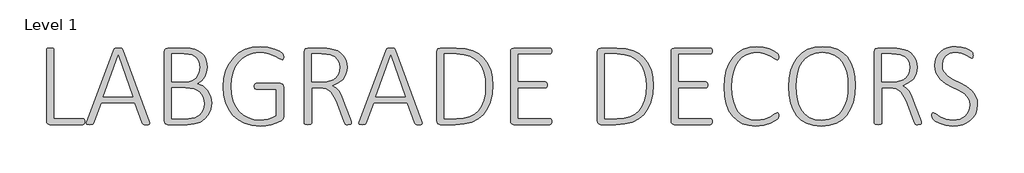
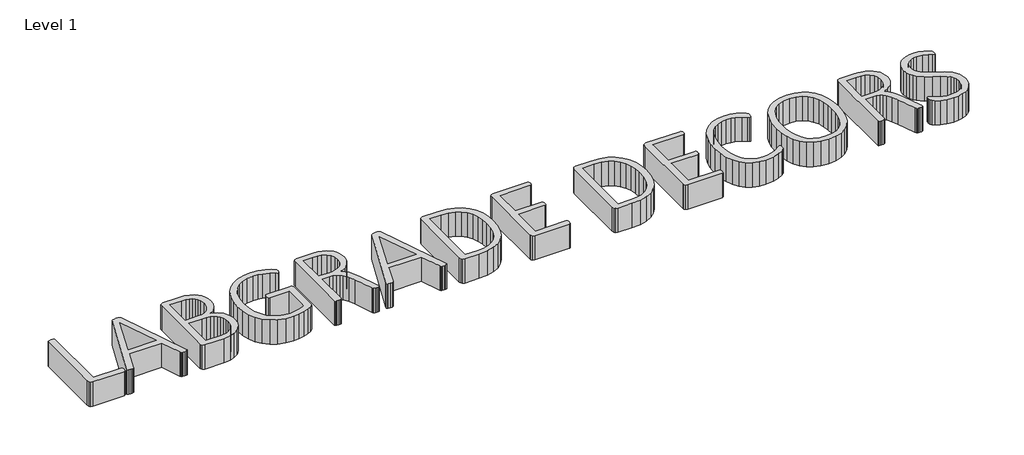
# One storey, part 3 of 3: 1 proxy.
"""IFC4 building model written with IfcOpenShell, lengths in millimetres."""

import ifcopenshell
import ifcopenshell.guid

model = None  # the IFC model being written
_history = None  # IfcOwnerHistory: only IFC2X3 demands one
_inside = {}  # id of a spatial element -> (the spatial element, [elements in it])
_under = {}  # id of a project, library or spatial element -> (it, [spatial elements below it])
_declared = {}  # id of a project -> (the project, [libraries it declares])
_typed = {}  # id of a type object -> (the type object, [elements of that type])
_made_of = {}  # id of a material, layer set ... -> (it, [elements and type objects made of it])


def new_model(schema):
    """Start an empty IFC model of exactly this schema.

    Asked for "IFC4X3", IfcOpenShell would pick the latest addendum, in which some entities
    have other attributes; the version numbers below select the first issue.
    IFC2X3 requires an IfcOwnerHistory on every rooted entity: one is made here for all.
    """
    global model, _history
    if schema == "IFC4X3":
        model = ifcopenshell.file(schema_version=(4, 3, 0, 0))
    else:
        model = ifcopenshell.file(schema=schema)
    _inside.clear()
    _under.clear()
    _declared.clear()
    _typed.clear()
    _made_of.clear()
    _history = None
    if model.schema == "IFC2X3":
        org = make("IfcOrganization", Name="unknown")
        user = make(
            "IfcPersonAndOrganization",
            ThePerson=make("IfcPerson", FamilyName="unknown"),
            TheOrganization=org,
        )
        app = make(
            "IfcApplication",
            ApplicationDeveloper=org,
            Version="unknown",
            ApplicationFullName="unknown",
            ApplicationIdentifier="unknown",
        )
        _history = make(
            "IfcOwnerHistory",
            OwningUser=user,
            OwningApplication=app,
            ChangeAction="ADDED",
            CreationDate=0,
        )
    return model


def make(cls, **values):
    """One entity of the class cls with the attributes given. An attribute that is None is left unset."""
    return model.create_entity(
        cls, **{name: value for name, value in values.items() if value is not None}
    )


def rooted(cls, **values):
    """An entity with a GlobalId (a new one), such as an element, a storey or a relation."""
    return make(cls, GlobalId=ifcopenshell.guid.new(), OwnerHistory=_history, **values)


def si_unit(unit_type, name, prefix=None):
    """IfcSIUnit, for example si_unit("LENGTHUNIT", "METRE", prefix="MILLI")."""
    return make("IfcSIUnit", UnitType=unit_type, Prefix=prefix, Name=name)


def assignment(units):
    """IfcUnitAssignment: the units of a project."""
    return None if units is None else make("IfcUnitAssignment", Units=units)


def point(xyz):
    """IfcCartesianPoint."""
    return None if xyz is None else make("IfcCartesianPoint", Coordinates=xyz)


def direction(xyz):
    """IfcDirection."""
    return None if xyz is None else make("IfcDirection", DirectionRatios=xyz)


def frame(location, z_axis=None, x_axis=None):
    """IfcAxis2Placement3D, a coordinate frame: its origin and axes. An axis left out is left unset."""
    return make(
        "IfcAxis2Placement3D",
        Location=point(location),
        Axis=direction(z_axis),
        RefDirection=direction(x_axis),
    )


def origin():
    """The frame at (0, 0, 0) with its axes left unset."""
    return frame((0.0, 0.0, 0.0))


def origin_with_axes():
    """The frame at (0, 0, 0) with the z axis (0, 0, 1) and the x axis (1, 0, 0) written out."""
    return frame((0.0, 0.0, 0.0), z_axis=(0.0, 0.0, 1.0), x_axis=(1.0, 0.0, 0.0))


def place(relative_to, where):
    """IfcLocalPlacement: puts the frame where relative to a parent placement (None: the world)."""
    return make(
        "IfcLocalPlacement", PlacementRelTo=relative_to, RelativePlacement=where
    )


def context(
    kind, dimensions, precision=None, world=None, true_north=None, identifier=None
):
    """IfcGeometricRepresentationContext, for example the 3D "Model" context."""
    return make(
        "IfcGeometricRepresentationContext",
        ContextIdentifier=identifier,
        ContextType=kind,
        CoordinateSpaceDimension=dimensions,
        Precision=precision,
        WorldCoordinateSystem=world,
        TrueNorth=true_north,
    )


def project(units=None, contexts=None):
    """IfcProject with its units and contexts."""
    return rooted(
        "IfcProject",
        Name="project",
        RepresentationContexts=contexts,
        UnitsInContext=assignment(units),
    )


def spatial(cls, under=None, at=None, **own):
    """A site, building, storey or space (cls), placed at a placement, below another one or the project."""
    s = rooted(cls, ObjectPlacement=at, **own)
    if under is not None:
        _under.setdefault(under.id(), (under, []))[1].append(s)
    return s


def polyline(points):
    """IfcPolyline through the points."""
    return make("IfcPolyline", Points=[point(p) for p in points])


def outline(outer, holes=None, kind="AREA"):
    """IfcArbitraryClosedProfileDef: a profile drawn as a closed curve; with holes, ...WithVoids."""
    if holes is None:
        return make("IfcArbitraryClosedProfileDef", ProfileType=kind, OuterCurve=outer)
    return make(
        "IfcArbitraryProfileDefWithVoids",
        ProfileType=kind,
        OuterCurve=outer,
        InnerCurves=holes,
    )


def extrude(swept, where, along, depth):
    """IfcExtrudedAreaSolid: the profile swept, set in the frame where, extruded along a direction by depth."""
    return make(
        "IfcExtrudedAreaSolid",
        SweptArea=swept,
        Position=where,
        ExtrudedDirection=direction(along),
        Depth=depth,
    )


def shape(context_of_items, identifier, shape_type, items):
    """IfcShapeRepresentation: the items that make up one representation, for example the "Body"."""
    return make(
        "IfcShapeRepresentation",
        ContextOfItems=context_of_items,
        RepresentationIdentifier=identifier,
        RepresentationType=shape_type,
        Items=items,
    )


def made_of(thing, what):
    """Note that an element or type object is made of a material, layer set ...; save() writes the relation."""
    if what is not None:
        _made_of.setdefault(what.id(), (what, []))[1].append(thing)
    return thing


def element(
    cls,
    number,
    at=None,
    inside=None,
    cuts=None,
    type_object=None,
    material=None,
    context=None,
    identifier="Body",
    shape_type=None,
    held_by="IfcProductDefinitionShape",
    body=None,
    shapes=None,
    **own,
):
    """One element of the class cls, such as IfcWall. Its Tag is "e" and its number.

    at: its placement. inside: the storey or other place that contains it. cuts: it is an
    opening in that element (IfcRelVoidsElement). A single representation is given by context,
    identifier, shape_type and body (its items); several are given by shapes. held_by: the class
    of the entity that holds the representations. save() writes the other relations.
    """
    e = rooted(cls, Tag="e%d" % number, ObjectPlacement=at, **own)
    if body is not None:
        shapes = [shape(context, identifier, shape_type, body)]
    if shapes is not None:
        e.Representation = make(held_by, Representations=shapes)
    if inside is not None:
        _inside.setdefault(inside.id(), (inside, []))[1].append(e)
    if cuts is not None:
        rooted(
            "IfcRelVoidsElement", RelatingBuildingElement=cuts, RelatedOpeningElement=e
        )
    if type_object is not None:
        _typed.setdefault(type_object.id(), (type_object, []))[1].append(e)
    return made_of(e, material)


def aggregate(whole, parts):
    """IfcRelAggregates: a whole, such as a stair, and the parts it consists of."""
    return rooted("IfcRelAggregates", RelatingObject=whole, RelatedObjects=parts)


def save(model, path):
    """Write the relations noted so far, then the file.

    IfcRelAggregates (storeys below a building ...), IfcRelContainedInSpatialStructure (elements
    in a storey), IfcRelDefinesByType, IfcRelAssociatesMaterial and IfcRelDeclares: one each for
    every whole, place, type object, material and project.
    """
    for whole, parts in _under.values():
        aggregate(whole, parts)
    for where, things in _inside.values():
        rooted(
            "IfcRelContainedInSpatialStructure",
            RelatedElements=things,
            RelatingStructure=where,
        )
    for kind, things in _typed.values():
        rooted("IfcRelDefinesByType", RelatedObjects=things, RelatingType=kind)
    for what, things in _made_of.values():
        rooted("IfcRelAssociatesMaterial", RelatedObjects=things, RelatingMaterial=what)
    for by, libraries in _declared.values():
        rooted("IfcRelDeclares", RelatingContext=by, RelatedDefinitions=libraries)
    model.write(path)


model = new_model("IFC4")

# Units and contexts
model_context = context("Model", 3, world=origin())
ifc_project = project(units=[si_unit("LENGTHUNIT", "METRE", prefix="MILLI")], contexts=[model_context])

# Site, building, storey
site = spatial("IfcSite", under=ifc_project)
building = spatial("IfcBuilding", under=site)
storey = spatial("IfcBuildingStorey", under=building, Name="Level 1", Elevation=0.0)

# Proxy
placement = place(None, origin())
element("IfcBuildingElementProxy", 1, Name="Generic Models", at=placement, inside=storey, context=model_context, shape_type="SweptSolid", body=[
    extrude(outline(polyline([(-3438.4405466, 4255.4238083), (-3439.0809154, 4248.3797509), (-3441.0660589, 4243.1927632), (-3444.3959769, 4239.9268821), (-3448.9425958, 4238.9022919), (-3633.1126777, 4238.9022919), (-3645.3437228, 4243.320837), (-3650.0024062, 4249.5804425), (-3651.5553007, 4259.522169), (-3651.5553007, 4656.5508575), (-3650.5307105, 4660.20096), (-3647.2007925, 4662.8264722), (-3640.8611408, 4664.4914313), (-3631.0634974, 4665.1318001), (-3621.1377802, 4664.4914313), (-3614.9262023, 4662.8264722), (-3611.5962843, 4660.1369231), (-3610.5716941, 4656.5508575), (-3610.5716941, 4271.6891772), (-3448.9425958, 4271.6891772), (-3444.33194, 4270.664587), (-3441.0660589, 4267.7188903), (-3439.0809154, 4262.6599763), (-3438.4405466, 4255.4238083)])), origin_with_axes(), (0.0, 0.0, 1.0), 150.0),
    extrude(outline(polyline([(-3079.3216941, 4254.3992181), (-3077.5926982, 4246.3946075), (-3079.7699523, 4241.5918411), (-3085.9815302, 4239.414587), (-3096.7397269, 4238.9022919), (-3107.0496654, 4239.414587), (-3113.1331695, 4240.8874354), (-3116.3990507, 4243.5129477), (-3118.3841941, 4247.4832345), (-3159.4958744, 4361.8531116), (-3348.4046859, 4361.8531116), (-3389.5163663, 4248.1236034), (-3391.3734359, 4244.1533165), (-3394.8314277, 4241.3356936), (-3400.9789687, 4239.5426608), (-3410.7766122, 4238.9022919), (-3421.7909564, 4239.5426608), (-3428.1946449, 4241.8479886), (-3430.371899, 4246.5226813), (-3428.4507925, 4254.3992181), (-3277.3237433, 4656.807005), (-3274.3780466, 4660.8413288), (-3269.3191326, 4663.3387673), (-3261.7627802, 4664.6835419), (-3251.7089892, 4665.1318001), (-3241.3990507, 4664.6835419), (-3233.9067351, 4663.3387673), (-3229.0399318, 4660.8413288), (-3226.2223089, 4656.807005), (-3079.3216941, 4254.3992181)]), holes=[polyline([(-3253.7581695, 4624.1481936), (-3336.621899, 4394.6399968), (-3171.2786613, 4394.6399968), (-3253.7581695, 4624.1481936)])]), origin_with_axes(), (0.0, 0.0, 1.0), 150.0),
    extrude(outline(polyline([(-2733.5225138, 4358.6512673), (-2737.9410589, 4323.6230911), (-2750.4282515, 4294.1661239), (-2770.215649, 4270.664587), (-2796.7269195, 4253.3105911), (-2828.7453622, 4242.5523944), (-2868.7684154, 4238.9022919), (-2977.6311204, 4238.9022919), (-2989.6700548, 4243.320837), (-2994.2807105, 4249.612461), (-2995.8175958, 4259.6502427), (-2995.8175958, 4644.3838493), (-2994.2486921, 4654.4216311), (-2989.541981, 4660.713255), (-2977.3749728, 4665.1318001), (-2886.0583744, 4665.1318001), (-2852.4390097, 4663.242712), (-2825.8637023, 4657.5754477), (-2804.8435947, 4648.4341823), (-2787.8898294, 4636.1230911), (-2774.842314, 4620.7382294), (-2765.5409564, 4602.3756526), (-2759.9697474, 4581.4355911), (-2758.1126777, 4558.3182755), (-2761.5706695, 4529.4376403), (-2771.9446449, 4503.8869231), (-2789.234604, 4482.5626403), (-2813.6966941, 4466.4893821), (-2782.6388048, 4454.0662263), (-2757.1521244, 4431.0769845), (-2739.8621654, 4398.8023944), (-2735.1074267, 4379.5753196), (-2733.5225138, 4358.6512673)]), holes=[polyline([(-2799.0962843, 4556.7813903), (-2803.70694, 4587.9033165), (-2809.6943888, 4600.8387673), (-2818.4354236, 4611.7250378), (-2830.0741275, 4620.4660727), (-2844.7545835, 4626.9658165), (-2863.6614738, 4631.0001403), (-2887.979481, 4632.3449149), (-2954.8339892, 4632.3449149), (-2954.8339892, 4476.60721), (-2881.4477187, 4476.60721), (-2859.5791224, 4478.2401505), (-2842.3852187, 4483.1389722), (-2828.8414175, 4490.8073893), (-2817.9231285, 4500.7491157), (-2803.70694, 4526.4279067), (-2799.0962843, 4556.7813903)]), polyline([(-2774.5061204, 4354.5529067), (-2776.1710794, 4375.0607192), (-2781.1659564, 4393.0390747), (-2789.3626777, 4408.3919179), (-2800.6331695, 4421.0231936), (-2814.9614226, 4430.9168923), (-2832.3314277, 4438.057005), (-2853.4796091, 4442.3794948), (-2879.1423908, 4443.8203247), (-2954.8339892, 4443.8203247), (-2954.8339892, 4271.6891772), (-2863.2612433, 4271.6891772), (-2827.5926982, 4277.0042386), (-2800.3129851, 4292.6932755), (-2789.6828622, 4304.3479886), (-2781.4861408, 4318.5641772), (-2776.2511255, 4335.3098227), (-2774.5061204, 4354.5529067)])]), origin_with_axes(), (0.0, 0.0, 1.0), 150.0),
    extrude(outline(polyline([(-2331.8831695, 4617.6164313), (-2332.5235384, 4610.1881526), (-2334.3165712, 4604.4248329), (-2337.3263048, 4600.8387673), (-2341.104481, 4599.5580296), (-2354.1680056, 4606.025755), (-2378.502022, 4620.0498329), (-2415.3872679, 4634.0739108), (-2439.0809154, 4638.9247048), (-2466.8729236, 4640.5416362), (-2502.8456439, 4636.9075429), (-2534.6879851, 4626.0052632), (-2562.1437997, 4608.7953503), (-2584.95694, 4586.2383575), (-2603.0153417, 4558.63846), (-2616.20694, 4526.2998329), (-2624.2755876, 4490.279085), (-2626.9651367, 4451.6328247), (-2623.8913663, 4409.3524712), (-2614.6700548, 4371.9069026), (-2600.0216173, 4339.6163032), (-2580.6664687, 4312.8008575), (-2556.8767658, 4291.5886393), (-2528.9246654, 4276.1077222), (-2497.5305824, 4266.6462725), (-2463.4149318, 4263.4924559), (-2416.98819, 4269.5119231), (-2394.2070681, 4277.100294), (-2372.8667761, 4287.8264722), (-2372.8667761, 4435.6236034), (-2484.9313253, 4435.6236034), (-2493.1280466, 4439.8500378), (-2495.8175958, 4451.8889722), (-2495.11319, 4459.253214), (-2493.0640097, 4464.3761649), (-2489.7340917, 4467.3858985), (-2484.9313253, 4468.4104886), (-2350.8380876, 4468.4104886), (-2344.3703622, 4467.3858985), (-2338.0947474, 4464.0559804), (-2333.5481285, 4457.5242181), (-2331.8831695, 4447.2783165), (-2331.8831695, 4285.7772919), (-2334.3806081, 4272.0093616), (-2345.7791736, 4261.1230911), (-2369.4728212, 4249.7245255), (-2400.0824523, 4239.2865132), (-2431.9087843, 4232.8828247), (-2463.2868581, 4230.7055706), (-2509.2013048, 4234.6758575), (-2549.8647269, 4246.5867181), (-2584.9409308, 4265.7337468), (-2614.0937228, 4291.4125378), (-2637.1950292, 4323.0947868), (-2654.1167761, 4360.2521895), (-2664.4907515, 4402.2123585), (-2667.9487433, 4448.3029067), (-2664.2185947, 4496.5546997), (-2653.028149, 4540.3879477), (-2635.0658027, 4578.970171), (-2611.0199523, 4611.4688903), (-2581.2748191, 4637.6119487), (-2546.2146244, 4657.1271895), (-2506.4957464, 4669.2781884), (-2462.774563, 4673.3285214), (-2419.3575548, 4669.2301608), (-2382.408272, 4659.3684804), (-2354.48819, 4646.8812878), (-2338.9272269, 4636.2511649), (-2333.3560179, 4628.5667386), (-2331.8831695, 4617.6164313)])), origin_with_axes(), (0.0, 0.0, 1.0), 150.0),
    extrude(outline(polyline([(-1954.8339892, 4248.2516772), (-1955.6024318, 4244.2813903), (-1958.5481285, 4241.3997304), (-1964.5675958, 4239.5426608), (-1974.3012023, 4238.9022919), (-1983.0102187, 4239.414587), (-1989.0296859, 4241.4637673), (-1992.9999728, 4245.4980911), (-1995.8175958, 4251.9658165), (-2035.1362433, 4357.6266772), (-2049.7366531, 4391.3741157), (-2068.5634974, 4418.7819026), (-2080.7305056, 4429.155878), (-2095.2028417, 4437.0964518), (-2112.3647269, 4442.1393565), (-2132.6003826, 4443.8203247), (-2176.1454646, 4443.8203247), (-2176.1454646, 4247.6113083), (-2177.1700548, 4243.9612059), (-2180.4999728, 4241.2716567), (-2186.7115507, 4239.6066977), (-2196.6372679, 4238.9022919), (-2206.4349113, 4239.5426608), (-2212.774563, 4241.2076198), (-2216.104481, 4243.8331321), (-2217.1290712, 4247.4832345), (-2217.1290712, 4644.5119231), (-2215.5761767, 4654.4536495), (-2210.9174933, 4660.713255), (-2198.814522, 4665.1318001), (-2119.4087843, 4665.1318001), (-2093.345772, 4664.2993206), (-2074.5829646, 4662.1861034), (-2051.9299165, 4656.7749866), (-2032.3826572, 4648.7383575), (-2015.9411869, 4638.3163544), (-2002.6055056, 4625.7491157), (-1992.3435947, 4611.228752), (-1985.1234359, 4594.9473739), (-1979.4241531, 4557.9340542), (-1980.8809923, 4538.4188134), (-1985.2515097, 4521.1128452), (-2001.837063, 4492.5523944), (-2027.515854, 4471.2281116), (-2060.3667761, 4456.1154067), (-2041.4758949, 4443.7562878), (-2025.9149318, 4426.0180706), (-2012.403149, 4402.0682755), (-1999.6598089, 4371.7147919), (-1961.2376777, 4270.664587), (-1955.9226163, 4254.6553657), (-1954.8339892, 4248.2516772)]), holes=[polyline([(-2020.4077597, 4554.3479886), (-2023.4495117, 4579.4344384), (-2032.5747679, 4600.3905091), (-2048.8721552, 4616.6078503), (-2073.4303007, 4627.4781116), (-2094.1142146, 4631.1922509), (-2123.5071449, 4632.3449149), (-2176.1454646, 4632.3449149), (-2176.1454646, 4476.60721), (-2114.9262023, 4476.60721), (-2091.9369605, 4478.128086), (-2072.4057105, 4482.690714), (-2056.1403417, 4489.8788544), (-2042.9487433, 4499.2762673), (-2032.8469247, 4510.6748329), (-2025.8508949, 4523.8664313), (-2020.4077597, 4554.3479886)])]), origin_with_axes(), (0.0, 0.0, 1.0), 150.0),
    extrude(outline(polyline([(-1562.9282515, 4254.3992181), (-1561.1992556, 4246.3946075), (-1563.3765097, 4241.5918411), (-1569.5880876, 4239.414587), (-1580.3462843, 4238.9022919), (-1590.6562228, 4239.414587), (-1596.7397269, 4240.8874354), (-1600.0056081, 4243.5129477), (-1601.9907515, 4247.4832345), (-1643.1024318, 4361.8531116), (-1832.0112433, 4361.8531116), (-1873.1229236, 4248.1236034), (-1874.9799933, 4244.1533165), (-1878.4379851, 4241.3356936), (-1884.5855261, 4239.5426608), (-1894.3831695, 4238.9022919), (-1905.3975138, 4239.5426608), (-1911.8012023, 4241.8479886), (-1913.9784564, 4246.5226813), (-1912.0573499, 4254.3992181), (-1760.9303007, 4656.807005), (-1757.984604, 4660.8413288), (-1752.92569, 4663.3387673), (-1745.3693376, 4664.6835419), (-1735.3155466, 4665.1318001), (-1725.0056081, 4664.6835419), (-1717.5132925, 4663.3387673), (-1712.6464892, 4660.8413288), (-1709.8288663, 4656.807005), (-1562.9282515, 4254.3992181)]), holes=[polyline([(-1737.3647269, 4624.1481936), (-1820.2284564, 4394.6399968), (-1654.8852187, 4394.6399968), (-1737.3647269, 4624.1481936)])]), origin_with_axes(), (0.0, 0.0, 1.0), 150.0),
    extrude(outline(polyline([(-1167.9487433, 4458.2926608), (-1171.3106798, 4407.7835675), (-1181.3964892, 4363.5821075), (-1198.0300701, 4325.8803913), (-1221.0353212, 4294.8705296), (-1250.3001777, 4270.5845409), (-1285.7125753, 4253.0544436), (-1327.9288919, 4242.4403298), (-1377.6055056, 4238.9022919), (-1461.109604, 4238.9022919), (-1473.2125753, 4243.320837), (-1477.8712587, 4249.612461), (-1479.4241531, 4259.6502427), (-1479.4241531, 4644.3838493), (-1477.8712587, 4654.4216311), (-1473.2125753, 4660.713255), (-1461.109604, 4665.1318001), (-1371.9702597, 4665.1318001), (-1322.149563, 4661.43367), (-1280.7817351, 4650.3392796), (-1246.6500753, 4632.4409702), (-1218.5378826, 4608.3310829), (-1196.5252033, 4578.4098483), (-1180.6920835, 4543.0774968), (-1171.1345783, 4502.8623329), (-1167.9487433, 4458.2926608)]), holes=[polyline([(-1208.9323499, 4456.3715542), (-1211.2696962, 4492.888588), (-1218.2817351, 4526.6200173), (-1230.1925958, 4556.7333626), (-1247.2264072, 4582.3961444), (-1269.3991788, 4603.2881782), (-1296.7269195, 4619.0892796), (-1330.7465148, 4629.0310061), (-1372.9948499, 4632.3449149), (-1438.4405466, 4632.3449149), (-1438.4405466, 4271.6891772), (-1372.7387023, 4271.6891772), (-1332.6516122, 4274.4107448), (-1299.2243581, 4282.5754477), (-1271.6404697, 4296.4394333), (-1249.0834769, 4316.2588493), (-1231.5373704, 4342.0336956), (-1218.9861408, 4373.7639722), (-1211.4457976, 4411.7698636), (-1208.9323499, 4456.3715542)])]), origin_with_axes(), (0.0, 0.0, 1.0), 150.0),
    extrude(outline(polyline([(-840.0798908, 4255.1676608), (-840.7202597, 4248.1876403), (-842.8975138, 4243.0646895), (-846.4195425, 4239.9268821), (-850.7100138, 4238.9022919), (-1051.0173908, 4238.9022919), (-1063.3124728, 4243.320837), (-1068.0191839, 4249.612461), (-1069.5880876, 4259.6502427), (-1069.5880876, 4644.3838493), (-1067.9871654, 4654.4216311), (-1063.184399, 4660.713255), (-1050.7612433, 4665.1318001), (-850.4538663, 4665.1318001), (-846.0993581, 4664.10721), (-842.7054031, 4660.9694026), (-840.7202597, 4655.6543411), (-840.0798908, 4648.2260624), (-840.7202597, 4641.3741157), (-842.7054031, 4636.3792386), (-846.0993581, 4633.369505), (-850.4538663, 4632.3449149), (-1028.604481, 4632.3449149), (-1028.604481, 4476.60721), (-875.4282515, 4476.60721), (-870.689522, 4475.5185829), (-867.2955671, 4472.3807755), (-865.3104236, 4467.065714), (-864.6700548, 4459.4453247), (-865.3104236, 4452.4012673), (-867.2955671, 4447.5985009), (-870.689522, 4444.780878), (-875.4282515, 4443.8203247), (-1028.604481, 4443.8203247), (-1028.604481, 4271.6891772), (-850.58194, 4271.6891772), (-846.2914687, 4270.664587), (-842.8334769, 4267.6548534), (-840.7202597, 4262.5319026), (-840.0798908, 4255.1676608)])), origin_with_axes(), (0.0, 0.0, 1.0), 150.0),
    extrude(outline(polyline([(-274.5061204, 4458.2926608), (-277.8680568, 4407.7835675), (-287.9538663, 4363.5821075), (-304.5874472, 4325.8803913), (-327.5926982, 4294.8705296), (-356.8575548, 4270.5845409), (-392.2699523, 4253.0544436), (-434.4862689, 4242.4403298), (-484.1628826, 4238.9022919), (-567.666981, 4238.9022919), (-579.7699523, 4243.320837), (-584.4286357, 4249.612461), (-585.9815302, 4259.6502427), (-585.9815302, 4644.3838493), (-584.4286357, 4654.4216311), (-579.7699523, 4660.713255), (-567.666981, 4665.1318001), (-478.5276367, 4665.1318001), (-428.70694, 4661.43367), (-387.3391122, 4650.3392796), (-353.2074523, 4632.4409702), (-325.0952597, 4608.3310829), (-303.0825804, 4578.4098483), (-287.2494605, 4543.0774968), (-277.6919554, 4502.8623329), (-274.5061204, 4458.2926608)]), holes=[polyline([(-315.4897269, 4456.3715542), (-317.8270732, 4492.888588), (-324.8391122, 4526.6200173), (-336.7499728, 4556.7333626), (-353.7837843, 4582.3961444), (-375.9565558, 4603.2881782), (-403.2842966, 4619.0892796), (-437.3038919, 4629.0310061), (-479.5522269, 4632.3449149), (-544.9979236, 4632.3449149), (-544.9979236, 4271.6891772), (-479.2960794, 4271.6891772), (-439.2089892, 4274.4107448), (-405.7817351, 4282.5754477), (-378.1978468, 4296.4394333), (-355.640854, 4316.2588493), (-338.0947474, 4342.0336956), (-325.5435179, 4373.7639722), (-318.0031747, 4411.7698636), (-315.4897269, 4456.3715542)])]), origin_with_axes(), (0.0, 0.0, 1.0), 150.0),
    extrude(outline(polyline([(53.3627321, 4255.1676608), (52.7223633, 4248.1876403), (50.5451092, 4243.0646895), (47.0230805, 4239.9268821), (42.7326092, 4238.9022919), (-157.5747679, 4238.9022919), (-169.8698499, 4243.320837), (-174.5765609, 4249.612461), (-176.1454646, 4259.6502427), (-176.1454646, 4644.3838493), (-174.5445425, 4654.4216311), (-169.7417761, 4660.713255), (-157.3186204, 4665.1318001), (42.9887567, 4665.1318001), (47.3432649, 4664.10721), (50.7372198, 4660.9694026), (52.7223633, 4655.6543411), (53.3627321, 4648.2260624), (52.7223633, 4641.3741157), (50.7372198, 4636.3792386), (47.3432649, 4633.369505), (42.9887567, 4632.3449149), (-135.1618581, 4632.3449149), (-135.1618581, 4476.60721), (18.0143715, 4476.60721), (22.753101, 4475.5185829), (26.1470559, 4472.3807755), (28.1321993, 4467.065714), (28.7725682, 4459.4453247), (28.1321993, 4452.4012673), (26.1470559, 4447.5985009), (22.753101, 4444.780878), (18.0143715, 4443.8203247), (-135.1618581, 4443.8203247), (-135.1618581, 4271.6891772), (42.8606829, 4271.6891772), (47.1511542, 4270.664587), (50.609146, 4267.6548534), (52.7223633, 4262.5319026), (53.3627321, 4255.1676608)])), origin_with_axes(), (0.0, 0.0, 1.0), 150.0),
    extrude(outline(polyline([(422.2151911, 4287.954546), (421.8950067, 4281.9991157), (420.9344534, 4277.3244231), (419.1414206, 4273.48221), (414.8509493, 4268.8075173), (401.2751296, 4259.3300583), (375.0200067, 4246.3305706), (338.6470559, 4235.3162263), (293.2449042, 4230.7055706), (255.2870405, 4234.275627), (221.0753346, 4244.985796), (191.1540999, 4262.563921), (166.0676501, 4286.7378452), (146.0080958, 4317.395504), (131.1675477, 4354.4248329), (121.9942639, 4397.4896382), (118.9365026, 4446.2537263), (122.218393, 4496.5386905), (132.0640641, 4541.3485009), (147.8651655, 4580.2509087), (169.0133469, 4612.8136649), (195.2204421, 4638.7486034), (226.1982854, 4657.7675583), (261.3385262, 4669.4382806), (300.0328141, 4673.3285214), (336.91806, 4669.8064927), (369.9610928, 4660.7772919), (397.0486952, 4648.1620255), (413.5061747, 4636.6994231), (419.1414206, 4630.6799559), (420.9344534, 4626.8377427), (421.8950067, 4621.9709395), (422.2151911, 4615.9514722), (421.702896, 4609.0354886), (420.037937, 4603.9765747), (417.2203141, 4600.7106936), (413.2500272, 4599.5580296), (400.1865026, 4605.8976813), (377.9657034, 4620.0498329), (344.2823018, 4634.2019845), (322.4617331, 4638.9567233), (296.8309698, 4640.5416362), (267.9503346, 4637.4038288), (241.503101, 4627.9904067), (218.065601, 4612.461462), (198.2141665, 4590.977087), (182.1409083, 4563.6973739), (170.037937, 4530.7824149), (162.4495661, 4492.3602837), (159.9201092, 4448.5590542), (162.225437, 4406.7109497), (169.1414206, 4369.7936854), (180.4119124, 4338.0634087), (195.7807649, 4311.7762673), (215.2639872, 4291.0123073), (238.8775887, 4275.8515747), (266.3013848, 4266.5822356), (297.2151911, 4263.4924559), (322.1735671, 4265.0773688), (343.7700067, 4269.8321075), (377.8376296, 4283.9842591), (401.0189821, 4298.1364108), (414.9149862, 4304.4760624), (418.2449042, 4303.7076198), (420.3581215, 4301.0180706), (421.702896, 4295.8951198), (422.2151911, 4287.954546)])), origin_with_axes(), (0.0, 0.0, 1.0), 150.0),
    extrude(outline(polyline([(848.4446993, 4457.0119231), (845.5150118, 4407.8315952), (836.7259493, 4363.5180706), (822.093521, 4324.7437366), (801.6337362, 4292.1809804), (775.218521, 4266.0859497), (742.7198018, 4246.7147919), (704.2176245, 4234.7078759), (659.7920354, 4230.7055706), (615.638603, 4234.4997561), (578.2090436, 4245.8823124), (547.1831727, 4264.3089261), (522.2408059, 4289.2352837), (503.221851, 4320.5333114), (489.9662157, 4358.0749354), (482.1857342, 4401.3158421), (479.5922403, 4449.7117181), (482.4739001, 4497.9955296), (491.1188796, 4541.6686854), (505.6552526, 4579.978752), (526.2110928, 4612.173296), (552.7383725, 4638.0281884), (585.1890641, 4657.3193001), (623.6592229, 4669.3262161), (668.2449042, 4673.3285214), (711.5978756, 4669.5823636), (748.6752321, 4658.3438903), (779.6850938, 4640.1093872), (804.8355805, 4615.3751403), (824.1747198, 4584.3812878), (837.7505395, 4547.3679681), (845.7711594, 4504.7674302), (848.4446993, 4457.0119231)]), holes=[polyline([(807.4610928, 4453.0416362), (805.66806, 4490.9994999), (800.2889616, 4526.4919436), (790.7794842, 4558.5424046), (776.5953141, 4586.1743206), (757.3682393, 4608.8593872), (732.7300477, 4626.0693001), (702.1364258, 4636.9235522), (665.04306, 4640.5416362), (628.0937772, 4636.7474507), (597.4201092, 4625.3648944), (572.4777424, 4607.5946587), (552.7223633, 4584.6374354), (537.9778704, 4556.9414825), (528.0681624, 4524.9550583), (522.4489258, 4489.9108729), (520.5758469, 4453.0416362), (522.2888335, 4414.2352837), (527.4277936, 4378.2465542), (536.6491051, 4345.9079272), (550.609146, 4318.0518821), (569.6921378, 4295.2227325), (594.2823018, 4277.9647919), (625.0680344, 4267.1105399), (662.7377321, 4263.4924559), (700.1192639, 4267.3666874), (731.0650887, 4278.9893821), (756.1035108, 4297.1278298), (775.7628346, 4320.5493206), (790.331226, 4348.6775225), (800.096851, 4380.9361034), (805.6200323, 4416.1243718), (807.4610928, 4453.0416362)])]), origin_with_axes(), (0.0, 0.0, 1.0), 150.0),
    extrude(outline(polyline([(1217.2971583, 4248.2516772), (1216.5287157, 4244.2813903), (1213.583019, 4241.3997304), (1207.5635518, 4239.5426608), (1197.8299452, 4238.9022919), (1189.1209288, 4239.414587), (1183.1014616, 4241.4637673), (1179.1311747, 4245.4980911), (1176.3135518, 4251.9658165), (1136.9949042, 4357.6266772), (1122.3944944, 4391.3741157), (1103.5676501, 4418.7819026), (1091.4006419, 4429.155878), (1076.9283059, 4437.0964518), (1059.7664206, 4442.1393565), (1039.5307649, 4443.8203247), (995.9856829, 4443.8203247), (995.9856829, 4247.6113083), (994.9610928, 4243.9612059), (991.6311747, 4241.2716567), (985.4195969, 4239.6066977), (975.4938796, 4238.9022919), (965.6962362, 4239.5426608), (959.3565846, 4241.2076198), (956.0266665, 4243.8331321), (955.0020764, 4247.4832345), (955.0020764, 4644.5119231), (956.5549708, 4654.4536495), (961.2136542, 4660.713255), (973.3166256, 4665.1318001), (1052.7223633, 4665.1318001), (1078.7853756, 4664.2993206), (1097.5481829, 4662.1861034), (1120.2012311, 4656.7749866), (1139.7484903, 4648.7383575), (1156.1899606, 4638.3163544), (1169.5256419, 4625.7491157), (1179.7875528, 4611.228752), (1187.0077116, 4594.9473739), (1192.7069944, 4557.9340542), (1191.2501553, 4538.4188134), (1186.8796378, 4521.1128452), (1170.2940846, 4492.5523944), (1144.6152936, 4471.2281116), (1111.7643715, 4456.1154067), (1130.6552526, 4443.7562878), (1146.2162157, 4426.0180706), (1159.7279985, 4402.0682755), (1172.4713387, 4371.7147919), (1210.8934698, 4270.664587), (1216.2085313, 4254.6553657), (1217.2971583, 4248.2516772)]), holes=[polyline([(1151.7233878, 4554.3479886), (1148.6816358, 4579.4344384), (1139.5563796, 4600.3905091), (1123.2589924, 4616.6078503), (1098.7008469, 4627.4781116), (1078.0169329, 4631.1922509), (1048.6240026, 4632.3449149), (995.9856829, 4632.3449149), (995.9856829, 4476.60721), (1057.2049452, 4476.60721), (1080.194187, 4478.128086), (1099.725437, 4482.690714), (1115.9908059, 4489.8788544), (1129.1824042, 4499.2762673), (1139.2842229, 4510.6748329), (1146.2802526, 4523.8664313), (1151.7233878, 4554.3479886)])]), origin_with_axes(), (0.0, 0.0, 1.0), 150.0),
    extrude(outline(polyline([(1528.7725682, 4350.5826198), (1526.2110928, 4323.9913032), (1518.5266665, 4300.3136649), (1506.2155753, 4279.7738339), (1489.7741051, 4262.5959395), (1469.5224401, 4248.9240645), (1445.7807649, 4238.9022919), (1419.1414206, 4232.7547509), (1390.1967485, 4230.7055706), (1351.390396, 4234.932005), (1318.9877321, 4245.1138698), (1295.037937, 4257.1528042), (1281.654228, 4267.4627427), (1276.3391665, 4276.235796), (1274.6742075, 4287.4422509), (1275.3145764, 4295.7030091), (1277.171646, 4301.0180706), (1280.1813796, 4303.7716567), (1284.0235928, 4304.4760624), (1297.1511542, 4298.008337), (1319.1158059, 4283.9842591), (1351.390396, 4269.9601813), (1371.7541256, 4265.1093872), (1395.1916256, 4263.4924559), (1432.5251296, 4269.3198124), (1448.3262311, 4276.4118975), (1461.7899862, 4286.0334395), (1472.7242844, 4298.2004477), (1480.9370149, 4312.9289313), (1486.0759749, 4330.0267796), (1487.7889616, 4349.3018821), (1485.6757444, 4368.1127171), (1479.3360928, 4384.0739108), (1469.5224401, 4397.7297765), (1456.9872198, 4409.624628), (1425.4810723, 4429.5400993), (1389.4283059, 4447.4063903), (1353.3755395, 4466.8736034), (1321.8693919, 4491.3997304), (1309.3341717, 4506.6405091), (1299.520519, 4524.3146895), (1293.1808674, 4544.7904835), (1291.0676501, 4568.4361034), (1293.2449042, 4591.6494743), (1299.7766665, 4612.3654067), (1310.2627065, 4630.3597714), (1324.3027936, 4645.4084395), (1341.7048171, 4657.383337), (1362.2766665, 4666.1563903), (1385.4900374, 4671.5354886), (1410.8166256, 4673.3285214), (1437.7121174, 4670.4468616), (1463.3909083, 4663.0826198), (1484.9713387, 4652.9647919), (1497.5225682, 4643.9355911), (1501.4288182, 4639.2608985), (1502.9016665, 4635.9309804), (1503.8622198, 4631.128214), (1504.1824042, 4624.2762673), (1503.6701092, 4617.4883575), (1502.1972608, 4612.2373329), (1499.827896, 4608.9074149), (1496.497978, 4607.7547509), (1485.6757444, 4612.8136649), (1467.5533059, 4624.1481936), (1441.5543305, 4635.4827222), (1407.23056, 4640.5416362), (1389.4763335, 4639.1328247), (1374.1234903, 4634.9063903), (1350.6859903, 4619.6015747), (1336.7259493, 4596.8684804), (1332.0512567, 4569.3326198), (1334.1644739, 4550.4257294), (1340.5041256, 4534.4325173), (1362.8529985, 4508.7537263), (1394.4231829, 4488.6461444), (1430.4119124, 4470.7158165), (1466.4006419, 4451.440714), (1497.9708264, 4427.0426608), (1510.5060467, 4411.7858729), (1520.3196993, 4394.1917386), (1526.659351, 4373.9080552), (1528.7725682, 4350.5826198)])), origin_with_axes(), (0.0, 0.0, 1.0), 150.0),
])

save(model, "model.ifc")
